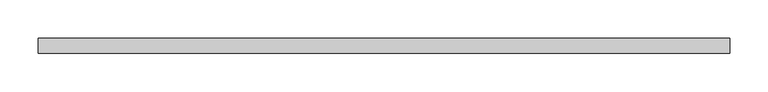
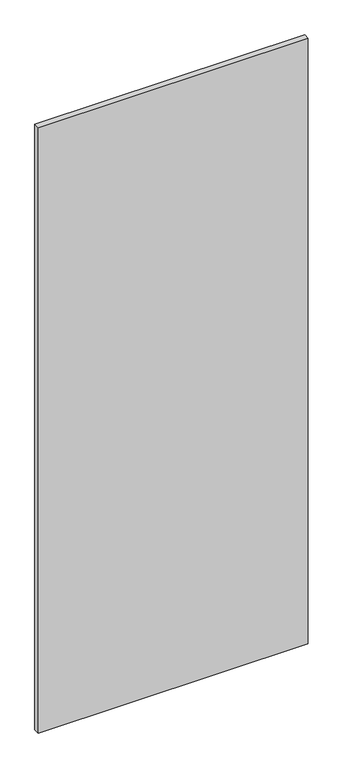
"""IFC4 building model written with IfcOpenShell, lengths in millimetres: proxy geometry."""

from ifc_helpers import new_model, si_unit, frame, origin, place, context, project, spatial, polyline, outline, extrude, source, transform, mapped, element, save


def specialty_equipment_0e9f1d1d(model_context):
    return source(origin(), model_context, "Body", "SweptSolid", [
        extrude(outline(polyline([(448.9704, -9.525), (-448.9704, -9.525), (-448.9704, 9.525), (448.9704, 9.525), (448.9704, -9.525)])), frame((0.0, 0.0, 3.175), z_axis=(0.0, 0.0, 1.0), x_axis=(1.0, 0.0, 0.0)), (0.0, 0.0, 1.0), 2127.25),
    ])


if __name__ == "__main__":
    model = new_model("IFC4")
    model_context = context("Model", 3, world=origin())
    ifc_project = project(units=[si_unit("LENGTHUNIT", "METRE", prefix="MILLI")], contexts=[model_context])
    site = spatial("IfcSite", under=ifc_project)
    building = spatial("IfcBuilding", under=site)
    placement = place(None, origin())
    specialty_equipment_shape = specialty_equipment_0e9f1d1d(model_context)
    element("IfcBuildingElementProxy", 1, Name="Specialty Equipment", at=placement, inside=building, context=model_context, shape_type="MappedRepresentation", body=[
        mapped(specialty_equipment_shape, transform((0.0, 0.0, 0.0), x_axis=(1.0, 0.0, 0.0), y_axis=(0.0, 1.0, 0.0), z_axis=(0.0, 0.0, 1.0))),
    ])
    save(model, "model.ifc")
